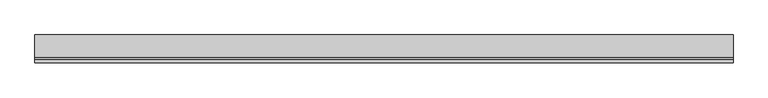
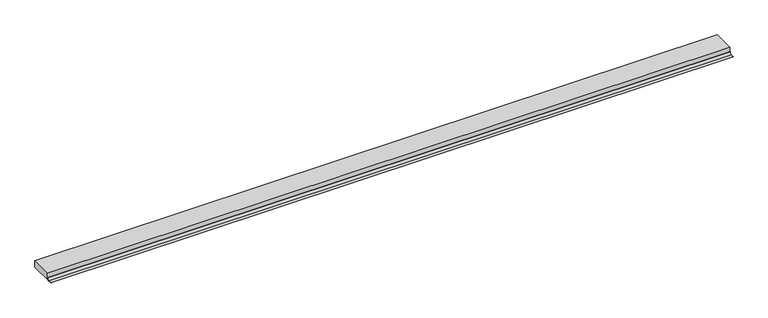
"""IFC4 building model written with IfcOpenShell, lengths in millimetres: proxy geometry."""

from ifc_helpers import new_model, si_unit, point, frame, frame_2d, origin, place, context, project, spatial, polyline, circle_curve, trimmed, segment, composite_curve, outline, extrude, source, transform, mapped, element, save
from ifc_brep_helpers import plane_surface, revolved_surface, advanced_brep


def generic_models_2f024f23(model_context):
    return source(origin(), model_context, "Body", "SolidModel", [
        advanced_brep(
        [(1587.3395579, -34590.1889994, 1425.03717), (1587.3395579, -34590.1889994, 1401.3774076), (1587.3395579, -34673.9840353, 1401.3774076), (1587.3395579, -34666.1598617, 1409.2027923), (1587.3395579, -34666.1598617, 1425.03717), (3987.3395579, -34590.1889994, 1425.03717), (3987.3395579, -34666.1598617, 1425.03717), (3987.3395579, -34666.1598617, 1409.2027923), (3987.3395579, -34673.9840353, 1401.3786188), (3987.3395579, -34590.1889994, 1401.3774076)],
        [
            (0, 1),
            (1, 2),
            (2, 3, circle_curve(frame((1587.3395579, -34673.9840353, 1409.2027923), z_axis=(1.0, 0.0, 0.0), x_axis=(0.0, 0.0, -1.0)), 7.8241735)),
            (3, 4),
            (4, 0),
            (5, 6),
            (6, 7),
            (7, 8, circle_curve(frame((3987.3395579, -34673.9840353, 1409.2027923), z_axis=(-1.0, 0.0, 0.0), x_axis=(0.0, 0.0, -1.0)), 7.8241735)),
            (8, 9),
            (9, 5),
            (4, 6),
            (5, 0),
            (2, 8),
            (7, 3),
            (9, 1),
        ],
        [
            plane_surface(frame((1587.3395579, -32956.5909444, 1451.3774076), z_axis=(-1.0, 0.0, 0.0), x_axis=(0.0, -1.0, 0.0))),
            plane_surface(frame((3987.3395579, -32956.5909444, 1451.3774076), z_axis=(1.0, 0.0, 0.0), x_axis=(0.0, -1.0, 0.0))),
            plane_surface(frame((1587.3395579, -34666.1598617, 1425.03717), z_axis=(0.0, 0.0, 1.0), x_axis=(1.0, 0.0, 0.0))),
            revolved_surface(polyline([(3987.3395579, -34673.9840353, 1401.3786188000001), (1587.3395579, -34673.9840353, 1401.3786188000001)]), (1587.3395579, -34673.9840353, 1409.2027923), (1.0, 0.0, 0.0)),
            plane_surface(frame((1587.3395579, -34666.1598617, 1409.2027923), z_axis=(0.0, -1.0, 0.0), x_axis=(1.0, 0.0, 0.0))),
            plane_surface(frame((1587.3395579, -34590.1889994, 1425.03717), z_axis=(0.0, 1.0, 0.0), x_axis=(1.0, 0.0, 0.0))),
            plane_surface(frame((1587.3395579, -34590.1889994, 1401.3774076), z_axis=(0.0, 0.0, -1.0), x_axis=(1.0, 0.0, 0.0))),
        ],
        [
            (0, [[1, 2, 3, 4, 5]]),
            (1, [[6, 7, 8, 9, 10]]),
            (2, [[-5, 11, -6, 12]]),
            (3, [[-3, 13, -8, 14]]),
            (4, [[-4, -14, -7, -11]]),
            (5, [[-1, -12, -10, 15]]),
            (6, [[-2, -15, -9, -13]]),
        ],
    ),
        extrude(outline(composite_curve([segment(polyline([(-34673.9852464, 1401.3774076), (-34685.713562, 1401.3774076), (-34685.713562, 1402.3774076), (-34673.9852464, 1402.3774076)]), True, "CONTINUOUS"), segment(trimmed(circle_curve(frame_2d((-34673.9852464, 1409.2027923)), 6.8253847), [point((-34673.9852464, 1402.3774076))], [point((-34667.1598617, 1409.2027923))], True, "CARTESIAN"), True, "CONTINUOUS"), segment(polyline([(-34667.1598617, 1409.2027923), (-34666.1598617, 1409.2027923)]), True, "CONTINUOUS"), segment(trimmed(circle_curve(frame_2d((-34673.9852464, 1409.2027923)), 7.8253847), [point((-34666.1598617, 1409.2027923))], [point((-34673.9852464, 1401.3774076))], False, "CARTESIAN"), True, "CONTINUOUS")], self_intersect=False)), frame((1587.3395579, 0.0, 0.0), z_axis=(1.0, 0.0, 0.0), x_axis=(0.0, 1.0, 0.0)), (0.0, 0.0, 1.0), 2400.0),
    ])


if __name__ == "__main__":
    model = new_model("IFC4")
    model_context = context("Model", 3, world=origin())
    ifc_project = project(units=[si_unit("LENGTHUNIT", "METRE", prefix="MILLI")], contexts=[model_context])
    site = spatial("IfcSite", under=ifc_project)
    building = spatial("IfcBuilding", under=site)
    placement = place(None, origin())
    generic_models_shape = generic_models_2f024f23(model_context)
    element("IfcBuildingElementProxy", 1, Name="Generic Models", at=placement, inside=building, context=model_context, shape_type="MappedRepresentation", body=[
        mapped(generic_models_shape, transform((0.0, 0.0, 0.0), x_axis=(1.0, 0.0, 0.0), y_axis=(0.0, 1.0, 0.0), z_axis=(0.0, 0.0, 1.0))),
    ])
    save(model, "model.ifc")
